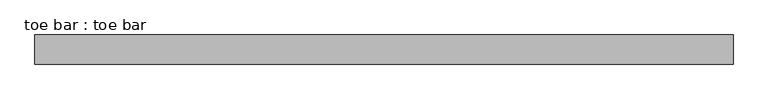
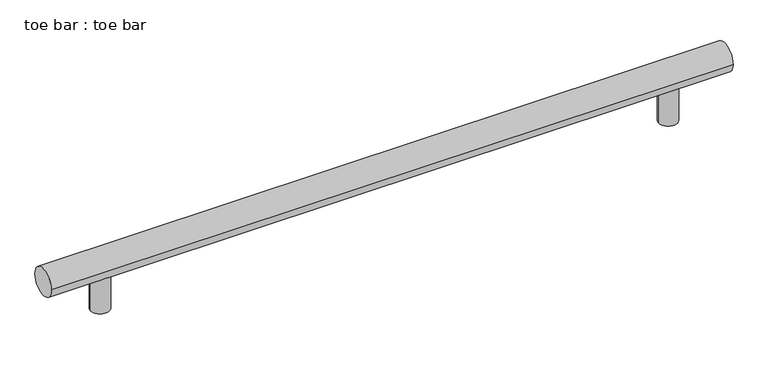
"""IFC4 building model written with IfcOpenShell, lengths in millimetres: proxy geometry, toe bar : toe bar."""

from ifc_helpers import new_model, si_unit, point, frame, frame_2d, origin, origin_with_axes, place, context, project, spatial, circle_curve, trimmed, segment, composite_curve, outline, extrude, source, transform, mapped, element, save


def toe_bar_toe_bar_095f3ce1(model_context):
    return source(origin(), model_context, "Body", "SweptSolid", [
        extrude(outline(composite_curve([segment(trimmed(circle_curve(frame_2d((-762.0, 254.0)), 25.4), [point((-787.4, 254.0))], [point((-736.6, 254.0))], False, "CARTESIAN"), True, "CONTINUOUS"), segment(trimmed(circle_curve(frame_2d((-762.0, 254.0)), 25.4), [point((-736.6, 254.0))], [point((-787.4, 254.0))], False, "CARTESIAN"), True, "CONTINUOUS")], self_intersect=False)), origin_with_axes(), (0.0, 0.0, 1.0), 101.6),
        extrude(outline(composite_curve([segment(trimmed(circle_curve(frame_2d((762.0, 254.0)), 25.4), [point((736.6, 254.0))], [point((787.4, 254.0))], False, "CARTESIAN"), True, "CONTINUOUS"), segment(trimmed(circle_curve(frame_2d((762.0, 254.0)), 25.4), [point((787.4, 254.0))], [point((736.6, 254.0))], False, "CARTESIAN"), True, "CONTINUOUS")], self_intersect=False)), origin_with_axes(), (0.0, 0.0, 1.0), 101.6),
        extrude(outline(composite_curve([segment(trimmed(circle_curve(frame_2d((254.0, 127.0)), 38.1), [point((292.1, 127.0))], [point((215.9, 127.0))], False, "CARTESIAN"), True, "CONTINUOUS"), segment(trimmed(circle_curve(frame_2d((254.0, 127.0)), 38.1), [point((215.9, 127.0))], [point((292.1, 127.0))], False, "CARTESIAN"), True, "CONTINUOUS")], self_intersect=False)), frame((-914.4, 0.0, 0.0), z_axis=(1.0, 0.0, 0.0), x_axis=(0.0, 1.0, 0.0)), (0.0, 0.0, 1.0), 1828.8),
    ])


if __name__ == "__main__":
    model = new_model("IFC4")
    model_context = context("Model", 3, world=origin())
    ifc_project = project(units=[si_unit("LENGTHUNIT", "METRE", prefix="MILLI")], contexts=[model_context])
    site = spatial("IfcSite", under=ifc_project)
    building = spatial("IfcBuilding", under=site)
    placement = place(None, origin())
    toe_bar_toe_bar_shape = toe_bar_toe_bar_095f3ce1(model_context)
    element("IfcBuildingElementProxy", 1, Name="toe bar : toe bar", ObjectType="toe bar : toe bar", at=placement, inside=building, context=model_context, shape_type="MappedRepresentation", body=[
        mapped(toe_bar_toe_bar_shape, transform((0.0, 0.0, 0.0), x_axis=(1.0, 0.0, 0.0), y_axis=(0.0, 1.0, 0.0), z_axis=(0.0, 0.0, 1.0))),
    ])
    save(model, "model.ifc")
